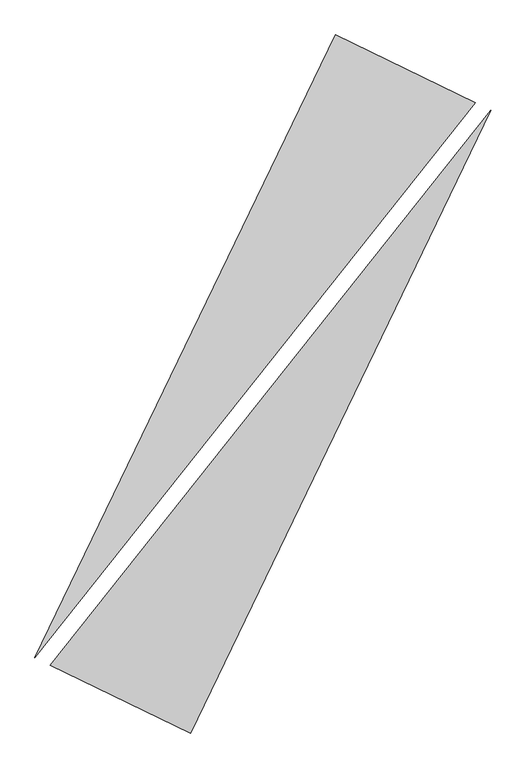
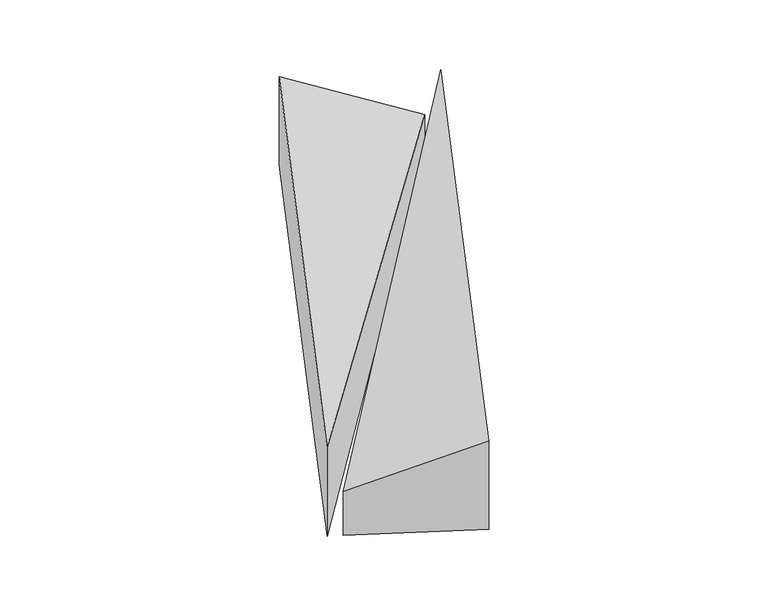
"""IFC4 building model written with IfcOpenShell, lengths in millimetres: proxy geometry."""

from ifc_helpers import new_model, si_unit, origin, place, context, project, spatial, faceted_brep, source, transform, mapped, element, save


def generic_models_1d8797bc(model_context):
    return source(origin(), model_context, "Body", "Brep", [
        faceted_brep([(1844.5781793, 2440.8054696, 0.0), (628.8334702, 3027.7167085, 0.0), (628.8334702, 3027.7167085, 1000.0), (1844.5781793, 2440.8054696, 500.0), (-1979.6609248, -2375.5931097, 0.0), (-1979.6609248, -2375.5931097, 1000.0)], [[[0, 1, 2, 3]], [[1, 4, 5, 2]], [[4, 0, 3, 5]], [[3, 2, 5]], [[0, 4, 1]]]),
        faceted_brep([(-628.8334702, -3027.7167085, 0.0), (1979.6609248, 2375.5931097, 0.0), (1979.6609248, 2375.5931097, 1000.0), (-628.8334702, -3027.7167085, 1000.0), (-1844.5781793, -2440.8054696, 0.0), (-1844.5781793, -2440.8054696, 500.0)], [[[0, 1, 2, 3]], [[1, 4, 5, 2]], [[4, 0, 3, 5]], [[2, 5, 3]], [[0, 4, 1]]]),
    ])


if __name__ == "__main__":
    model = new_model("IFC4")
    model_context = context("Model", 3, world=origin())
    ifc_project = project(units=[si_unit("LENGTHUNIT", "METRE", prefix="MILLI")], contexts=[model_context])
    site = spatial("IfcSite", under=ifc_project)
    building = spatial("IfcBuilding", under=site)
    placement = place(None, origin())
    generic_models_shape = generic_models_1d8797bc(model_context)
    element("IfcBuildingElementProxy", 1, Name="Generic Models", at=placement, inside=building, context=model_context, shape_type="MappedRepresentation", body=[
        mapped(generic_models_shape, transform((0.0, 0.0, 0.0), x_axis=(1.0, 0.0, 0.0), y_axis=(0.0, 1.0, 0.0), z_axis=(0.0, 0.0, 1.0))),
    ])
    save(model, "model.ifc")
